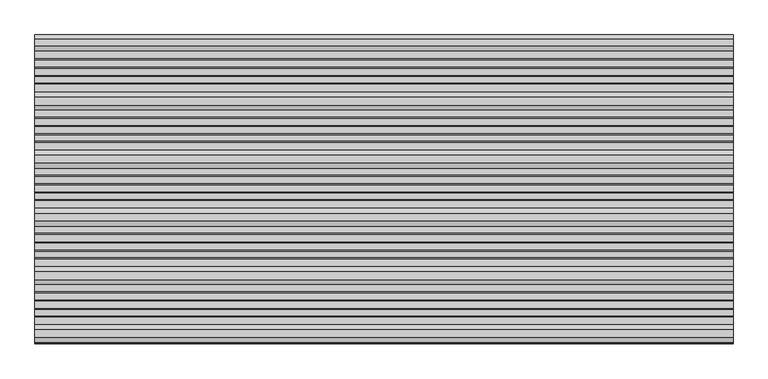
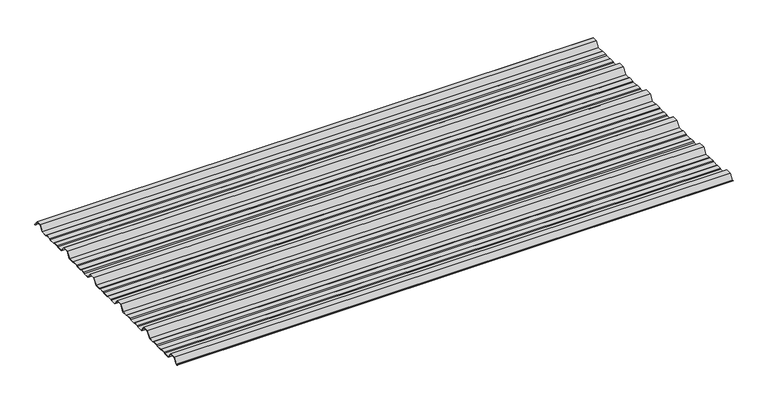
"""IFC4 building model written with IfcOpenShell, lengths in millimetres: beam geometry."""

from ifc_helpers import new_model, si_unit, point, frame, frame_2d, origin, place, context, project, spatial, polyline, circle_curve, trimmed, segment, composite_curve, outline, extrude, source, transform, mapped, element, save


def beam_c1e48b24(model_context):
    return source(origin(), model_context, "Body", "SweptSolid", [
        extrude(outline(composite_curve([segment(polyline([(-159.5006096, -7.7896475), (-173.0, -25.7896475), (-191.1560825, -25.7896475), (-195.2826844, -23.7896475), (-212.8895196, -23.7896475), (-216.1536836, -25.7896475), (-234.9266573, -25.7896475), (-237.9681158, -23.7896475), (-253.6339196, -23.7896475), (-256.6775615, -25.7896475), (-277.0, -25.7896475), (-290.4993904, -7.7896475), (-309.5006096, -7.7896475), (-323.0, -25.7896475), (-341.1560825, -25.7896475), (-345.2826844, -23.7896475), (-362.8895196, -23.7896475), (-366.1536836, -25.7896475), (-384.9266573, -25.7896475), (-387.9681158, -23.7896475), (-403.6339196, -23.7896475), (-406.6775615, -25.7896475), (-427.0, -25.7896475), (-440.4993904, -7.7896475), (-459.5006096, -7.7896475), (-473.0, -25.7896475), (-491.1560825, -25.7896475), (-495.2826844, -23.7896475), (-512.8895196, -23.7896475), (-516.1536836, -25.7896475), (-534.9266573, -25.7896475), (-537.9681158, -23.7896475), (-553.6339196, -23.7896475), (-556.6775615, -25.7896475), (-577.0, -25.7896475), (-590.4993904, -7.7896475), (-609.5006096, -7.7896475), (-623.0, -25.7896475), (-641.1560825, -25.7896475), (-645.2826844, -23.7896475), (-662.8895196, -23.7896475), (-666.1536836, -25.7896475), (-684.9266573, -25.7896475), (-687.9681158, -23.7896475), (-703.6339196, -23.7896475), (-706.6775615, -25.7896475), (-727.0, -25.7896475), (-740.4993904, -7.7896475), (-759.5006096, -7.7896475), (-771.5000677, -23.7896475), (-775.173385, -23.7896475)]), True, "CONTINUOUS"), segment(trimmed(circle_curve(frame_2d((-775.173385, -23.2896475)), 0.5), [point((-775.173385, -23.7896475))], [point((-775.173385, -22.7896475))], False, "CARTESIAN"), True, "CONTINUOUS"), segment(polyline([(-775.173385, -22.7896475), (-771.9994581, -22.7896475), (-760.0, -6.7896475), (-740.0, -6.7896475), (-726.5006096, -24.7896475), (-706.9767126, -24.7896475), (-703.9330707, -22.7896475), (-687.6687853, -22.7896475), (-684.6273268, -24.7896475), (-666.4356788, -24.7896475), (-663.1715148, -22.7896475), (-645.0531246, -22.7896475), (-640.9265226, -24.7896475), (-623.4993904, -24.7896475), (-610.0, -6.7896475), (-590.0, -6.7896475), (-576.5006096, -24.7896475), (-556.9767126, -24.7896475), (-553.9330707, -22.7896475), (-537.6687853, -22.7896475), (-534.6273268, -24.7896475), (-516.4356788, -24.7896475), (-513.1715148, -22.7896475), (-495.0531246, -22.7896475), (-490.9265226, -24.7896475), (-473.4993904, -24.7896475), (-460.0, -6.7896475), (-440.0, -6.7896475), (-426.5006096, -24.7896475), (-406.9767126, -24.7896475), (-403.9330707, -22.7896475), (-387.6687853, -22.7896475), (-384.6273268, -24.7896475), (-366.4356788, -24.7896475), (-363.1715148, -22.7896475), (-345.0531246, -22.7896475), (-340.9265226, -24.7896475), (-323.4993904, -24.7896475), (-310.0, -6.7896475), (-290.0, -6.7896475), (-276.5006096, -24.7896475), (-256.9767126, -24.7896475), (-253.9330707, -22.7896475), (-237.6687853, -22.7896475), (-234.6273268, -24.7896475), (-216.4356788, -24.7896475), (-213.1715148, -22.7896475), (-195.0531246, -22.7896475), (-190.9265226, -24.7896475), (-173.4993904, -24.7896475), (-160.0, -6.7896475), (-140.0, -6.7896475), (-126.5006096, -24.7896475), (-106.9767126, -24.7896475), (-103.9330707, -22.7896475), (-87.6687853, -22.7896475), (-84.6273268, -24.7896475), (-66.4356788, -24.7896475), (-63.1715148, -22.7896475), (-45.0531246, -22.7896475), (-40.9265226, -24.7896475), (-20.999431, -24.7896475), (-8.9999729, -8.7896475), (8.9999729, -8.7896475), (20.6572433, -24.3333765)]), True, "CONTINUOUS"), segment(trimmed(circle_curve(frame_2d((20.2574362, -24.6332183)), 0.4997507), [point((20.6572433, -24.3333765))], [point((19.8576291, -24.9330601))], False, "CARTESIAN"), True, "CONTINUOUS"), segment(polyline([(19.8576291, -24.9330601), (8.5005825, -9.7896475), (-8.5005825, -9.7896475), (-20.5000406, -25.7896475), (-41.1560825, -25.7896475), (-45.2826844, -23.7896475), (-62.8895196, -23.7896475), (-66.1536836, -25.7896475), (-84.9266573, -25.7896475), (-87.9681158, -23.7896475), (-103.6339196, -23.7896475), (-106.6775615, -25.7896475), (-127.0, -25.7896475), (-140.4993904, -7.7896475), (-159.5006096, -7.7896475)]), True, "CONTINUOUS")], self_intersect=False)), frame((-900.0, 0.0, 0.0), z_axis=(1.0, 0.0, 0.0), x_axis=(0.0, 1.0, 0.0)), (0.0, 0.0, 1.0), 1800.0),
    ])


if __name__ == "__main__":
    model = new_model("IFC4")
    model_context = context("Model", 3, world=origin())
    ifc_project = project(units=[si_unit("LENGTHUNIT", "METRE", prefix="MILLI")], contexts=[model_context])
    site = spatial("IfcSite", under=ifc_project)
    building = spatial("IfcBuilding", under=site)
    placement = place(None, origin())
    beam_shape = beam_c1e48b24(model_context)
    element("IfcBeam", 1, at=placement, inside=building, context=model_context, shape_type="MappedRepresentation", body=[
        mapped(beam_shape, transform((0.0, 0.0, 0.0), x_axis=(1.0, 0.0, 0.0), y_axis=(0.0, 1.0, 0.0), z_axis=(0.0, 0.0, 1.0))),
    ])
    save(model, "model.ifc")
